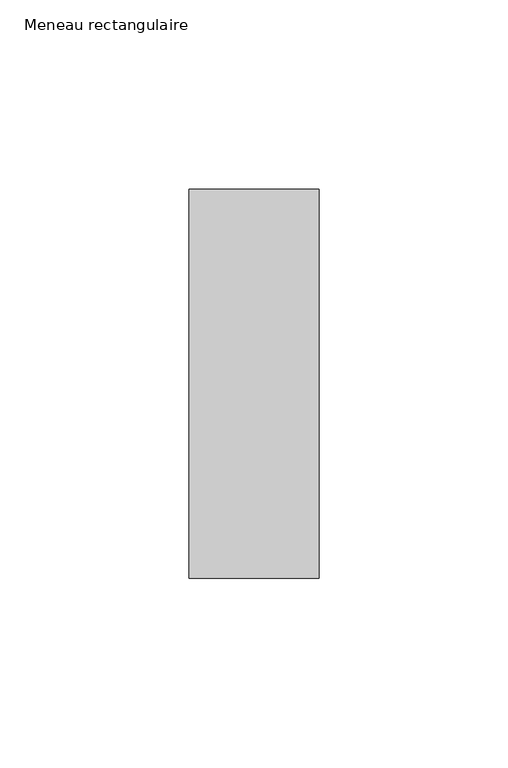
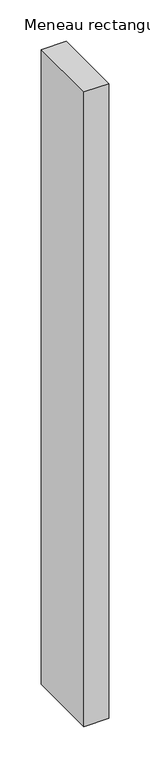
"""IFC4 building model written with IfcOpenShell, lengths in millimetres: member geometry, Meneau rectangulaire."""

from ifc_helpers import new_model, si_unit, frame, origin, place, context, project, spatial, polyline, outline, extrude, source, transform, mapped, element, save


def meneau_rectangulaire_534b92e2(model_context):
    return source(origin(), model_context, "Body", "SweptSolid", [
        extrude(outline(polyline([(-34.5, 51.5), (0.0, 51.5), (0.0, -51.5), (-34.5, -51.5), (-34.5, 51.5)])), frame((0.0, 0.0, -937.0873828), z_axis=(0.0, 0.0, 1.0), x_axis=(1.0, 0.0, 0.0)), (0.0, 0.0, 1.0), 937.0873828),
    ])


if __name__ == "__main__":
    model = new_model("IFC4")
    model_context = context("Model", 3, world=origin())
    ifc_project = project(units=[si_unit("LENGTHUNIT", "METRE", prefix="MILLI")], contexts=[model_context])
    site = spatial("IfcSite", under=ifc_project)
    building = spatial("IfcBuilding", under=site)
    placement = place(None, origin())
    meneau_rectangulaire_shape = meneau_rectangulaire_534b92e2(model_context)
    element("IfcMember", 1, ObjectType="Meneau rectangulaire", at=placement, inside=building, context=model_context, shape_type="MappedRepresentation", body=[
        mapped(meneau_rectangulaire_shape, transform((0.0, 0.0, 0.0), x_axis=(1.0, 0.0, 0.0), y_axis=(0.0, 1.0, 0.0), z_axis=(0.0, 0.0, 1.0))),
    ])
    save(model, "model.ifc")
